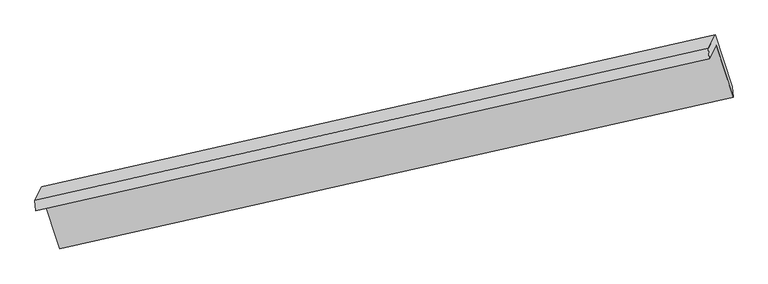
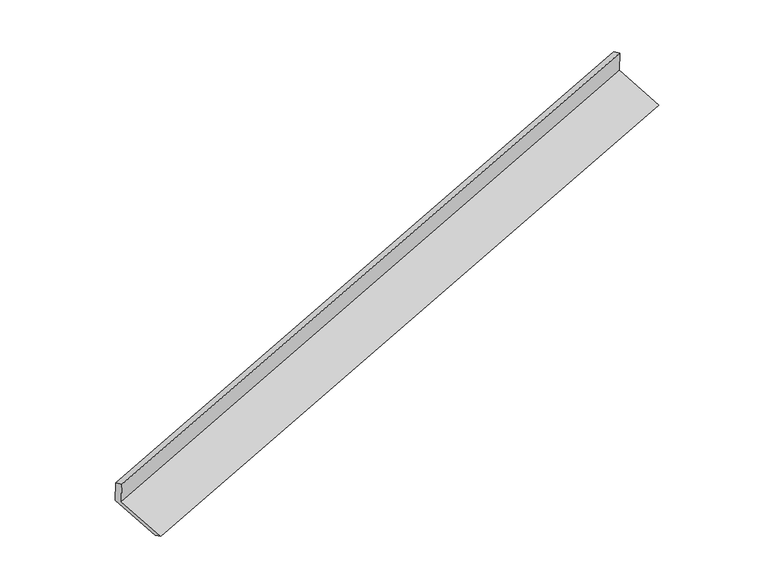
"""IFC4 building model written with IfcOpenShell, lengths in millimetres: proxy geometry."""

import ifcopenshell
import ifcopenshell.guid

model = None  # the IFC model being written
_history = None  # IfcOwnerHistory: only IFC2X3 demands one
_inside = {}  # id of a spatial element -> (the spatial element, [elements in it])
_under = {}  # id of a project, library or spatial element -> (it, [spatial elements below it])
_declared = {}  # id of a project -> (the project, [libraries it declares])
_typed = {}  # id of a type object -> (the type object, [elements of that type])
_made_of = {}  # id of a material, layer set ... -> (it, [elements and type objects made of it])


def new_model(schema):
    """Start an empty IFC model of exactly this schema.

    Asked for "IFC4X3", IfcOpenShell would pick the latest addendum, in which some entities
    have other attributes; the version numbers below select the first issue.
    IFC2X3 requires an IfcOwnerHistory on every rooted entity: one is made here for all.
    """
    global model, _history
    if schema == "IFC4X3":
        model = ifcopenshell.file(schema_version=(4, 3, 0, 0))
    else:
        model = ifcopenshell.file(schema=schema)
    _inside.clear()
    _under.clear()
    _declared.clear()
    _typed.clear()
    _made_of.clear()
    _history = None
    if model.schema == "IFC2X3":
        org = make("IfcOrganization", Name="unknown")
        user = make(
            "IfcPersonAndOrganization",
            ThePerson=make("IfcPerson", FamilyName="unknown"),
            TheOrganization=org,
        )
        app = make(
            "IfcApplication",
            ApplicationDeveloper=org,
            Version="unknown",
            ApplicationFullName="unknown",
            ApplicationIdentifier="unknown",
        )
        _history = make(
            "IfcOwnerHistory",
            OwningUser=user,
            OwningApplication=app,
            ChangeAction="ADDED",
            CreationDate=0,
        )
    return model


def make(cls, **values):
    """One entity of the class cls with the attributes given. An attribute that is None is left unset."""
    return model.create_entity(
        cls, **{name: value for name, value in values.items() if value is not None}
    )


def rooted(cls, **values):
    """An entity with a GlobalId (a new one), such as an element, a storey or a relation."""
    return make(cls, GlobalId=ifcopenshell.guid.new(), OwnerHistory=_history, **values)


def si_unit(unit_type, name, prefix=None):
    """IfcSIUnit, for example si_unit("LENGTHUNIT", "METRE", prefix="MILLI")."""
    return make("IfcSIUnit", UnitType=unit_type, Prefix=prefix, Name=name)


def assignment(units):
    """IfcUnitAssignment: the units of a project."""
    return None if units is None else make("IfcUnitAssignment", Units=units)


def point(xyz):
    """IfcCartesianPoint."""
    return None if xyz is None else make("IfcCartesianPoint", Coordinates=xyz)


def direction(xyz):
    """IfcDirection."""
    return None if xyz is None else make("IfcDirection", DirectionRatios=xyz)


def frame(location, z_axis=None, x_axis=None):
    """IfcAxis2Placement3D, a coordinate frame: its origin and axes. An axis left out is left unset."""
    return make(
        "IfcAxis2Placement3D",
        Location=point(location),
        Axis=direction(z_axis),
        RefDirection=direction(x_axis),
    )


def origin():
    """The frame at (0, 0, 0) with its axes left unset."""
    return frame((0.0, 0.0, 0.0))


def place(relative_to, where):
    """IfcLocalPlacement: puts the frame where relative to a parent placement (None: the world)."""
    return make(
        "IfcLocalPlacement", PlacementRelTo=relative_to, RelativePlacement=where
    )


def context(
    kind, dimensions, precision=None, world=None, true_north=None, identifier=None
):
    """IfcGeometricRepresentationContext, for example the 3D "Model" context."""
    return make(
        "IfcGeometricRepresentationContext",
        ContextIdentifier=identifier,
        ContextType=kind,
        CoordinateSpaceDimension=dimensions,
        Precision=precision,
        WorldCoordinateSystem=world,
        TrueNorth=true_north,
    )


def project(units=None, contexts=None):
    """IfcProject with its units and contexts."""
    return rooted(
        "IfcProject",
        Name="project",
        RepresentationContexts=contexts,
        UnitsInContext=assignment(units),
    )


def spatial(cls, under=None, at=None, **own):
    """A site, building, storey or space (cls), placed at a placement, below another one or the project."""
    s = rooted(cls, ObjectPlacement=at, **own)
    if under is not None:
        _under.setdefault(under.id(), (under, []))[1].append(s)
    return s


def faces_of(points, faces, orient=None, outer=None):
    """IfcFace entities. A face is a list of loops; a loop is a list of indices into points, from 0.

    orient and outer hold one flag for each loop. By default every Orientation is true, the
    first loop of a face is its IfcFaceOuterBound and the others are IfcFaceBound.
    """
    made = []
    for i, loops in enumerate(faces):
        bounds = []
        for j, loop in enumerate(loops):
            is_outer = j == 0 if outer is None else outer[i][j]
            bounds.append(
                make(
                    "IfcFaceOuterBound" if is_outer else "IfcFaceBound",
                    Bound=make("IfcPolyLoop", Polygon=[points[k] for k in loop]),
                    Orientation=True if orient is None else orient[i][j],
                )
            )
        made.append(make("IfcFace", Bounds=bounds))
    return made


def faceted_brep(points, faces, orient=None, outer=None, voids=None):
    """IfcFacetedBrep: a solid bounded by flat faces; with voids (closed shells), ...WithVoids."""
    shared = [point(p) for p in points]
    hull = make("IfcClosedShell", CfsFaces=faces_of(shared, faces, orient, outer))
    if voids is None:
        return make("IfcFacetedBrep", Outer=hull)
    return make(
        "IfcFacetedBrepWithVoids",
        Outer=hull,
        Voids=[
            make(cls, CfsFaces=faces_of(shared, fs, o, b)) for cls, fs, o, b in voids
        ],
    )


def shape(context_of_items, identifier, shape_type, items):
    """IfcShapeRepresentation: the items that make up one representation, for example the "Body"."""
    return make(
        "IfcShapeRepresentation",
        ContextOfItems=context_of_items,
        RepresentationIdentifier=identifier,
        RepresentationType=shape_type,
        Items=items,
    )


def source(mapping_origin, context_of_items, identifier, shape_type, items):
    """IfcRepresentationMap: a shape defined once, which mapped items show again and again."""
    return make(
        "IfcRepresentationMap",
        MappingOrigin=mapping_origin,
        MappedRepresentation=shape(context_of_items, identifier, shape_type, items),
    )


def transform(
    local_origin,
    x_axis=None,
    y_axis=None,
    z_axis=None,
    scale=None,
    scale2=None,
    scale3=None,
    uniform=True,
):
    """IfcCartesianTransformationOperator3D, or its non-uniform kind. x_axis, y_axis, z_axis: its Axis1, 2, 3."""
    if uniform:
        return make(
            "IfcCartesianTransformationOperator3D",
            Axis1=direction(x_axis),
            Axis2=direction(y_axis),
            LocalOrigin=point(local_origin),
            Scale=scale,
            Axis3=direction(z_axis),
        )
    return make(
        "IfcCartesianTransformationOperator3DnonUniform",
        Axis1=direction(x_axis),
        Axis2=direction(y_axis),
        LocalOrigin=point(local_origin),
        Scale=scale,
        Axis3=direction(z_axis),
        Scale2=scale2,
        Scale3=scale3,
    )


def mapped(mapping_source, mapping_target):
    """IfcMappedItem: shows the shape of a source again, moved by a transform."""
    return make(
        "IfcMappedItem", MappingSource=mapping_source, MappingTarget=mapping_target
    )


def made_of(thing, what):
    """Note that an element or type object is made of a material, layer set ...; save() writes the relation."""
    if what is not None:
        _made_of.setdefault(what.id(), (what, []))[1].append(thing)
    return thing


def element(
    cls,
    number,
    at=None,
    inside=None,
    cuts=None,
    type_object=None,
    material=None,
    context=None,
    identifier="Body",
    shape_type=None,
    held_by="IfcProductDefinitionShape",
    body=None,
    shapes=None,
    **own,
):
    """One element of the class cls, such as IfcWall. Its Tag is "e" and its number.

    at: its placement. inside: the storey or other place that contains it. cuts: it is an
    opening in that element (IfcRelVoidsElement). A single representation is given by context,
    identifier, shape_type and body (its items); several are given by shapes. held_by: the class
    of the entity that holds the representations. save() writes the other relations.
    """
    e = rooted(cls, Tag="e%d" % number, ObjectPlacement=at, **own)
    if body is not None:
        shapes = [shape(context, identifier, shape_type, body)]
    if shapes is not None:
        e.Representation = make(held_by, Representations=shapes)
    if inside is not None:
        _inside.setdefault(inside.id(), (inside, []))[1].append(e)
    if cuts is not None:
        rooted(
            "IfcRelVoidsElement", RelatingBuildingElement=cuts, RelatedOpeningElement=e
        )
    if type_object is not None:
        _typed.setdefault(type_object.id(), (type_object, []))[1].append(e)
    return made_of(e, material)


def aggregate(whole, parts):
    """IfcRelAggregates: a whole, such as a stair, and the parts it consists of."""
    return rooted("IfcRelAggregates", RelatingObject=whole, RelatedObjects=parts)


def save(model, path):
    """Write the relations noted so far, then the file.

    IfcRelAggregates (storeys below a building ...), IfcRelContainedInSpatialStructure (elements
    in a storey), IfcRelDefinesByType, IfcRelAssociatesMaterial and IfcRelDeclares: one each for
    every whole, place, type object, material and project.
    """
    for whole, parts in _under.values():
        aggregate(whole, parts)
    for where, things in _inside.values():
        rooted(
            "IfcRelContainedInSpatialStructure",
            RelatedElements=things,
            RelatingStructure=where,
        )
    for kind, things in _typed.values():
        rooted("IfcRelDefinesByType", RelatedObjects=things, RelatingType=kind)
    for what, things in _made_of.values():
        rooted("IfcRelAssociatesMaterial", RelatedObjects=things, RelatingMaterial=what)
    for by, libraries in _declared.values():
        rooted("IfcRelDeclares", RelatingContext=by, RelatedDefinitions=libraries)
    model.write(path)


def generic_models_98f258a4(model_context):
    return source(origin(), model_context, "Body", "Brep", [
        faceted_brep([(-7439.3680418, -2467.3061541, 936.676808), (-7346.9769861, -2291.8589632, 514.2803473), (1549.5381376, -286.6895429, 3276.5204148), (1457.1470819, -462.1367339, 3698.9168755), (-7451.4516734, -2329.124125, 877.7312234), (1445.0634503, -323.9547047, 3639.9712909), (-7358.2270375, -2152.093996, 451.523773), (1538.2880862, -146.9245757, 3213.7638405), (-7135.0586236, -2836.0207364, 216.2607694), (1761.4565001, -830.8513161, 2978.5008369), (-7124.5785898, -2973.4258912, 279.8290922), (1771.9365339, -968.256471, 3042.0691597)], [[[0, 1, 2, 3]], [[4, 0, 3, 5]], [[6, 4, 5, 7]], [[8, 6, 7, 9]], [[10, 8, 9, 11]], [[1, 10, 11, 2]], [[9, 7, 5, 3, 2, 11]], [[1, 0, 4, 6, 8, 10]]]),
    ])


if __name__ == "__main__":
    model = new_model("IFC4")
    model_context = context("Model", 3, world=origin())
    ifc_project = project(units=[si_unit("LENGTHUNIT", "METRE", prefix="MILLI")], contexts=[model_context])
    site = spatial("IfcSite", under=ifc_project)
    building = spatial("IfcBuilding", under=site)
    placement = place(None, origin())
    generic_models_shape = generic_models_98f258a4(model_context)
    element("IfcBuildingElementProxy", 1, Name="Generic Models", at=placement, inside=building, context=model_context, shape_type="MappedRepresentation", body=[
        mapped(generic_models_shape, transform((0.0, 0.0, 0.0), x_axis=(1.0, 0.0, 0.0), y_axis=(0.0, 1.0, 0.0), z_axis=(0.0, 0.0, 1.0))),
    ])
    save(model, "model.ifc")
